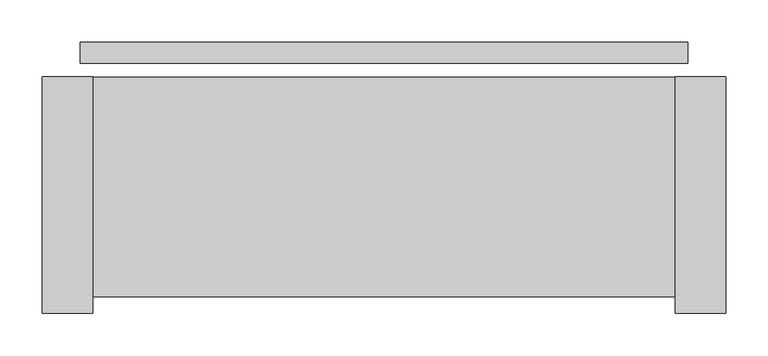
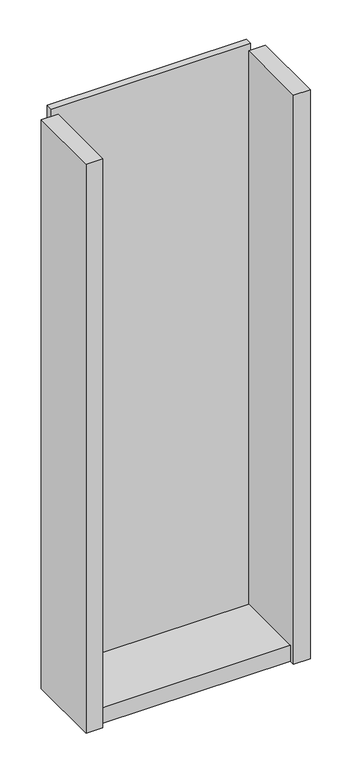
"""IFC4 building model written with IfcOpenShell, lengths in millimetres: plate geometry."""

from ifc_helpers import new_model, si_unit, frame, origin, origin_with_axes, place, context, project, spatial, polyline, outline, extrude, source, transform, mapped, element, save


def plate_dc7bb84a(model_context):
    return source(origin(), model_context, "Body", "SweptSolid", [
        extrude(outline(polyline([(360.0, 0.0), (360.0, -25.0), (-360.0, -25.0), (-360.0, 0.0), (360.0, 0.0)])), origin_with_axes(), (0.0, 0.0, 1.0), 2142.0),
        extrude(outline(polyline([(-345.0, -41.0), (-345.0, -321.0), (-405.0, -321.0), (-405.0, -41.0), (-345.0, -41.0)])), frame((0.0, 0.0, -45.0), z_axis=(0.0, 0.0, 1.0), x_axis=(1.0, 0.0, 0.0)), (0.0, 0.0, 1.0), 2172.0),
        extrude(outline(polyline([(345.0, -301.0), (-345.0, -301.0), (-345.0, -41.0), (345.0, -41.0), (345.0, -301.0)])), frame((0.0, 0.0, -45.0), z_axis=(0.0, 0.0, 1.0), x_axis=(1.0, 0.0, 0.0)), (0.0, 0.0, 1.0), 60.0),
        extrude(outline(polyline([(405.0, -41.0), (405.0, -321.0), (345.0, -321.0), (345.0, -41.0), (405.0, -41.0)])), frame((0.0, 0.0, -45.0), z_axis=(0.0, 0.0, 1.0), x_axis=(1.0, 0.0, 0.0)), (0.0, 0.0, 1.0), 2172.0),
    ])


if __name__ == "__main__":
    model = new_model("IFC4")
    model_context = context("Model", 3, world=origin())
    ifc_project = project(units=[si_unit("LENGTHUNIT", "METRE", prefix="MILLI")], contexts=[model_context])
    site = spatial("IfcSite", under=ifc_project)
    building = spatial("IfcBuilding", under=site)
    placement = place(None, origin())
    plate_shape = plate_dc7bb84a(model_context)
    element("IfcPlate", 1, at=placement, inside=building, context=model_context, shape_type="MappedRepresentation", body=[
        mapped(plate_shape, transform((0.0, 0.0, 0.0), x_axis=(1.0, 0.0, 0.0), y_axis=(0.0, 1.0, 0.0), z_axis=(0.0, 0.0, 1.0))),
    ])
    save(model, "model.ifc")
